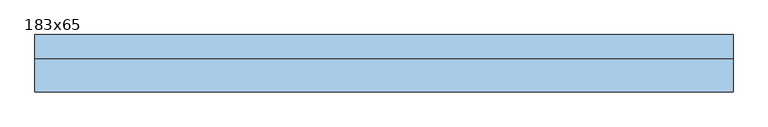
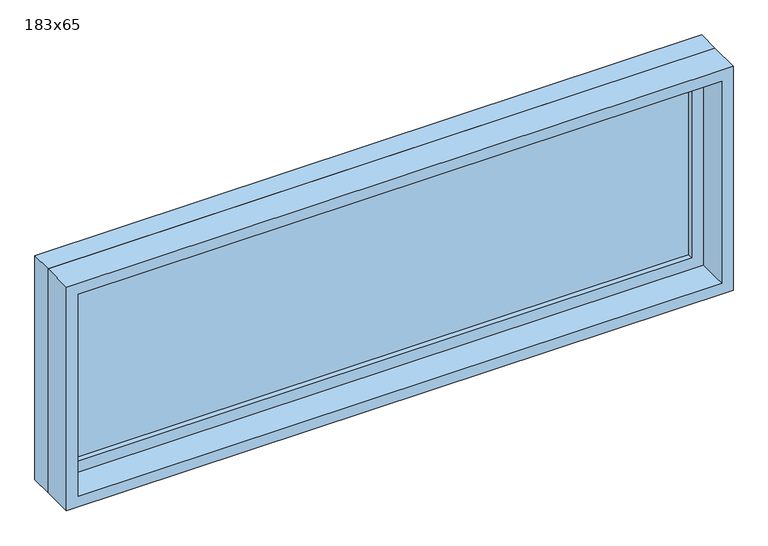
"""IFC4 building model written with IfcOpenShell, lengths in millimetres: window geometry, 183x65."""

import ifcopenshell
import ifcopenshell.guid

model = None  # the IFC model being written
_history = None  # IfcOwnerHistory: only IFC2X3 demands one
_inside = {}  # id of a spatial element -> (the spatial element, [elements in it])
_under = {}  # id of a project, library or spatial element -> (it, [spatial elements below it])
_declared = {}  # id of a project -> (the project, [libraries it declares])
_typed = {}  # id of a type object -> (the type object, [elements of that type])
_made_of = {}  # id of a material, layer set ... -> (it, [elements and type objects made of it])


def new_model(schema):
    """Start an empty IFC model of exactly this schema.

    Asked for "IFC4X3", IfcOpenShell would pick the latest addendum, in which some entities
    have other attributes; the version numbers below select the first issue.
    IFC2X3 requires an IfcOwnerHistory on every rooted entity: one is made here for all.
    """
    global model, _history
    if schema == "IFC4X3":
        model = ifcopenshell.file(schema_version=(4, 3, 0, 0))
    else:
        model = ifcopenshell.file(schema=schema)
    _inside.clear()
    _under.clear()
    _declared.clear()
    _typed.clear()
    _made_of.clear()
    _history = None
    if model.schema == "IFC2X3":
        org = make("IfcOrganization", Name="unknown")
        user = make(
            "IfcPersonAndOrganization",
            ThePerson=make("IfcPerson", FamilyName="unknown"),
            TheOrganization=org,
        )
        app = make(
            "IfcApplication",
            ApplicationDeveloper=org,
            Version="unknown",
            ApplicationFullName="unknown",
            ApplicationIdentifier="unknown",
        )
        _history = make(
            "IfcOwnerHistory",
            OwningUser=user,
            OwningApplication=app,
            ChangeAction="ADDED",
            CreationDate=0,
        )
    return model


def make(cls, **values):
    """One entity of the class cls with the attributes given. An attribute that is None is left unset."""
    return model.create_entity(
        cls, **{name: value for name, value in values.items() if value is not None}
    )


def rooted(cls, **values):
    """An entity with a GlobalId (a new one), such as an element, a storey or a relation."""
    return make(cls, GlobalId=ifcopenshell.guid.new(), OwnerHistory=_history, **values)


def si_unit(unit_type, name, prefix=None):
    """IfcSIUnit, for example si_unit("LENGTHUNIT", "METRE", prefix="MILLI")."""
    return make("IfcSIUnit", UnitType=unit_type, Prefix=prefix, Name=name)


def assignment(units):
    """IfcUnitAssignment: the units of a project."""
    return None if units is None else make("IfcUnitAssignment", Units=units)


def point(xyz):
    """IfcCartesianPoint."""
    return None if xyz is None else make("IfcCartesianPoint", Coordinates=xyz)


def direction(xyz):
    """IfcDirection."""
    return None if xyz is None else make("IfcDirection", DirectionRatios=xyz)


def frame(location, z_axis=None, x_axis=None):
    """IfcAxis2Placement3D, a coordinate frame: its origin and axes. An axis left out is left unset."""
    return make(
        "IfcAxis2Placement3D",
        Location=point(location),
        Axis=direction(z_axis),
        RefDirection=direction(x_axis),
    )


def origin():
    """The frame at (0, 0, 0) with its axes left unset."""
    return frame((0.0, 0.0, 0.0))


def place(relative_to, where):
    """IfcLocalPlacement: puts the frame where relative to a parent placement (None: the world)."""
    return make(
        "IfcLocalPlacement", PlacementRelTo=relative_to, RelativePlacement=where
    )


def context(
    kind, dimensions, precision=None, world=None, true_north=None, identifier=None
):
    """IfcGeometricRepresentationContext, for example the 3D "Model" context."""
    return make(
        "IfcGeometricRepresentationContext",
        ContextIdentifier=identifier,
        ContextType=kind,
        CoordinateSpaceDimension=dimensions,
        Precision=precision,
        WorldCoordinateSystem=world,
        TrueNorth=true_north,
    )


def project(units=None, contexts=None):
    """IfcProject with its units and contexts."""
    return rooted(
        "IfcProject",
        Name="project",
        RepresentationContexts=contexts,
        UnitsInContext=assignment(units),
    )


def spatial(cls, under=None, at=None, **own):
    """A site, building, storey or space (cls), placed at a placement, below another one or the project."""
    s = rooted(cls, ObjectPlacement=at, **own)
    if under is not None:
        _under.setdefault(under.id(), (under, []))[1].append(s)
    return s


def polyline(points):
    """IfcPolyline through the points."""
    return make("IfcPolyline", Points=[point(p) for p in points])


def outline(outer, holes=None, kind="AREA"):
    """IfcArbitraryClosedProfileDef: a profile drawn as a closed curve; with holes, ...WithVoids."""
    if holes is None:
        return make("IfcArbitraryClosedProfileDef", ProfileType=kind, OuterCurve=outer)
    return make(
        "IfcArbitraryProfileDefWithVoids",
        ProfileType=kind,
        OuterCurve=outer,
        InnerCurves=holes,
    )


def extrude(swept, where, along, depth):
    """IfcExtrudedAreaSolid: the profile swept, set in the frame where, extruded along a direction by depth."""
    return make(
        "IfcExtrudedAreaSolid",
        SweptArea=swept,
        Position=where,
        ExtrudedDirection=direction(along),
        Depth=depth,
    )


def shape(context_of_items, identifier, shape_type, items):
    """IfcShapeRepresentation: the items that make up one representation, for example the "Body"."""
    return make(
        "IfcShapeRepresentation",
        ContextOfItems=context_of_items,
        RepresentationIdentifier=identifier,
        RepresentationType=shape_type,
        Items=items,
    )


def source(mapping_origin, context_of_items, identifier, shape_type, items):
    """IfcRepresentationMap: a shape defined once, which mapped items show again and again."""
    return make(
        "IfcRepresentationMap",
        MappingOrigin=mapping_origin,
        MappedRepresentation=shape(context_of_items, identifier, shape_type, items),
    )


def transform(
    local_origin,
    x_axis=None,
    y_axis=None,
    z_axis=None,
    scale=None,
    scale2=None,
    scale3=None,
    uniform=True,
):
    """IfcCartesianTransformationOperator3D, or its non-uniform kind. x_axis, y_axis, z_axis: its Axis1, 2, 3."""
    if uniform:
        return make(
            "IfcCartesianTransformationOperator3D",
            Axis1=direction(x_axis),
            Axis2=direction(y_axis),
            LocalOrigin=point(local_origin),
            Scale=scale,
            Axis3=direction(z_axis),
        )
    return make(
        "IfcCartesianTransformationOperator3DnonUniform",
        Axis1=direction(x_axis),
        Axis2=direction(y_axis),
        LocalOrigin=point(local_origin),
        Scale=scale,
        Axis3=direction(z_axis),
        Scale2=scale2,
        Scale3=scale3,
    )


def mapped(mapping_source, mapping_target):
    """IfcMappedItem: shows the shape of a source again, moved by a transform."""
    return make(
        "IfcMappedItem", MappingSource=mapping_source, MappingTarget=mapping_target
    )


def made_of(thing, what):
    """Note that an element or type object is made of a material, layer set ...; save() writes the relation."""
    if what is not None:
        _made_of.setdefault(what.id(), (what, []))[1].append(thing)
    return thing


def element(
    cls,
    number,
    at=None,
    inside=None,
    cuts=None,
    type_object=None,
    material=None,
    context=None,
    identifier="Body",
    shape_type=None,
    held_by="IfcProductDefinitionShape",
    body=None,
    shapes=None,
    **own,
):
    """One element of the class cls, such as IfcWall. Its Tag is "e" and its number.

    at: its placement. inside: the storey or other place that contains it. cuts: it is an
    opening in that element (IfcRelVoidsElement). A single representation is given by context,
    identifier, shape_type and body (its items); several are given by shapes. held_by: the class
    of the entity that holds the representations. save() writes the other relations.
    """
    e = rooted(cls, Tag="e%d" % number, ObjectPlacement=at, **own)
    if body is not None:
        shapes = [shape(context, identifier, shape_type, body)]
    if shapes is not None:
        e.Representation = make(held_by, Representations=shapes)
    if inside is not None:
        _inside.setdefault(inside.id(), (inside, []))[1].append(e)
    if cuts is not None:
        rooted(
            "IfcRelVoidsElement", RelatingBuildingElement=cuts, RelatedOpeningElement=e
        )
    if type_object is not None:
        _typed.setdefault(type_object.id(), (type_object, []))[1].append(e)
    return made_of(e, material)


def aggregate(whole, parts):
    """IfcRelAggregates: a whole, such as a stair, and the parts it consists of."""
    return rooted("IfcRelAggregates", RelatingObject=whole, RelatedObjects=parts)


def save(model, path):
    """Write the relations noted so far, then the file.

    IfcRelAggregates (storeys below a building ...), IfcRelContainedInSpatialStructure (elements
    in a storey), IfcRelDefinesByType, IfcRelAssociatesMaterial and IfcRelDeclares: one each for
    every whole, place, type object, material and project.
    """
    for whole, parts in _under.values():
        aggregate(whole, parts)
    for where, things in _inside.values():
        rooted(
            "IfcRelContainedInSpatialStructure",
            RelatedElements=things,
            RelatingStructure=where,
        )
    for kind, things in _typed.values():
        rooted("IfcRelDefinesByType", RelatedObjects=things, RelatingType=kind)
    for what, things in _made_of.values():
        rooted("IfcRelAssociatesMaterial", RelatedObjects=things, RelatingMaterial=what)
    for by, libraries in _declared.values():
        rooted("IfcRelDeclares", RelatingContext=by, RelatedDefinitions=libraries)
    model.write(path)


def window_183x65_812b930a(model_context):
    return source(origin(), model_context, "Body", "SweptSolid", [
        extrude(outline(polyline([(813.4, 27.375), (-889.6, 27.375), (-889.6, 40.075), (813.4, 40.075), (813.4, 27.375)])), frame((0.0, 0.0, 977.9), z_axis=(0.0, 0.0, 1.0), x_axis=(1.0, 0.0, 0.0)), (0.0, 0.0, 1.0), 523.0),
        extrude(outline(polyline([(1545.35, -934.05), (933.45, -934.05), (933.45, 857.85), (1545.35, 857.85), (1545.35, -934.05)]), holes=[polyline([(1500.9, -889.6), (1500.9, 813.4), (977.9, 813.4), (977.9, -889.6), (1500.9, -889.6)])]), frame((0.0, 11.5, 0.0), z_axis=(0.0, 1.0, 0.0), x_axis=(0.0, 0.0, 1.0)), (0.0, 0.0, 1.0), 44.45),
        extrude(outline(polyline([(1564.4, -953.1), (914.4, -953.1), (914.4, 876.9), (1564.4, 876.9), (1564.4, -953.1)]), holes=[polyline([(1532.65, -921.35), (1532.65, 845.15), (946.15, 845.15), (946.15, -921.35), (1532.65, -921.35)])]), frame((0.0, -75.0, 0.0), z_axis=(0.0, 1.0, 0.0), x_axis=(0.0, 0.0, 1.0)), (0.0, 0.0, 1.0), 86.5),
        extrude(outline(polyline([(1564.4, 876.9), (1564.4, -953.1), (914.4, -953.1), (914.4, 876.9), (1564.4, 876.9)]), holes=[polyline([(1545.35, 857.85), (933.45, 857.85), (933.45, -934.05), (1545.35, -934.05), (1545.35, 857.85)])]), frame((0.0, 11.5, 0.0), z_axis=(0.0, 1.0, 0.0), x_axis=(0.0, 0.0, 1.0)), (0.0, 0.0, 1.0), 63.5),
    ])


if __name__ == "__main__":
    model = new_model("IFC4")
    model_context = context("Model", 3, world=origin())
    ifc_project = project(units=[si_unit("LENGTHUNIT", "METRE", prefix="MILLI")], contexts=[model_context])
    site = spatial("IfcSite", under=ifc_project)
    building = spatial("IfcBuilding", under=site)
    placement = place(None, origin())
    window_183x65_shape = window_183x65_812b930a(model_context)
    element("IfcWindow", 1, ObjectType="183x65", at=placement, inside=building, context=model_context, shape_type="MappedRepresentation", body=[
        mapped(window_183x65_shape, transform((0.0, 0.0, 0.0), x_axis=(1.0, 0.0, 0.0), y_axis=(0.0, 1.0, 0.0), z_axis=(0.0, 0.0, 1.0))),
    ])
    save(model, "model.ifc")
